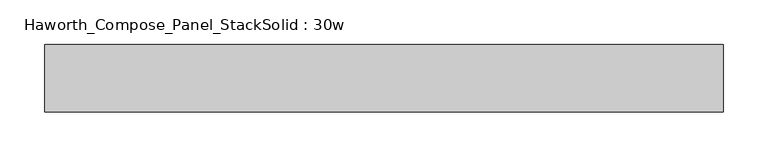
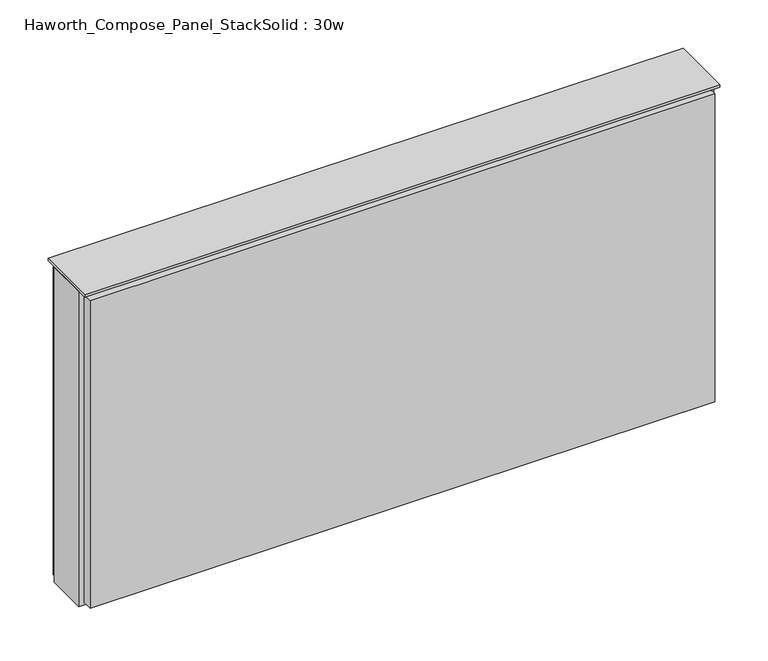
"""IFC4 building model written with IfcOpenShell, lengths in millimetres: furniture geometry, Haworth_Compose_Panel_StackSolid : 30w."""

from ifc_helpers import new_model, si_unit, frame, origin, place, context, project, spatial, polyline, outline, extrude, source, transform, mapped, element, save


def haworth_compose_panel_stacksolid_30w_58d8441a(model_context):
    return source(origin(), model_context, "Body", "SweptSolid", [
        extrude(outline(polyline([(377.0902902, 38.1), (377.0902902, 25.4), (-372.2097098, 25.4), (-372.2097098, 38.1), (377.0902902, 38.1)])), frame((0.0, 0.0, 1066.8), z_axis=(0.0, 0.0, 1.0), x_axis=(1.0, 0.0, 0.0)), (0.0, 0.0, 1.0), 390.525),
        extrude(outline(polyline([(377.0902902, -38.1), (-372.2097098, -38.1), (-372.2097098, -25.4), (377.0902902, -25.4), (377.0902902, -38.1)])), frame((0.0, 0.0, 1069.975), z_axis=(0.0, 0.0, 1.0), x_axis=(1.0, 0.0, 0.0)), (0.0, 0.0, 1.0), 390.525),
        extrude(outline(polyline([(383.4402902, 25.4), (383.4402902, -25.4), (-378.5597098, -25.4), (-378.5597098, 25.4), (383.4402902, 25.4)])), frame((0.0, 0.0, 1066.8), z_axis=(0.0, 0.0, 1.0), x_axis=(1.0, 0.0, 0.0)), (0.0, 0.0, 1.0), 400.05),
        extrude(outline(polyline([(-378.5597098, -38.1), (-378.5597098, 38.1), (383.4402902, 38.1), (383.4402902, -38.1), (-378.5597098, -38.1)])), frame((0.0, 0.0, 1466.85), z_axis=(0.0, 0.0, 1.0), x_axis=(1.0, 0.0, 0.0)), (0.0, 0.0, 1.0), 3.175),
    ])


if __name__ == "__main__":
    model = new_model("IFC4")
    model_context = context("Model", 3, world=origin())
    ifc_project = project(units=[si_unit("LENGTHUNIT", "METRE", prefix="MILLI")], contexts=[model_context])
    site = spatial("IfcSite", under=ifc_project)
    building = spatial("IfcBuilding", under=site)
    placement = place(None, origin())
    haworth_compose_panel_stacksolid_30w_shape = haworth_compose_panel_stacksolid_30w_58d8441a(model_context)
    element("IfcFurniture", 1, ObjectType="Haworth_Compose_Panel_StackSolid : 30w", at=placement, inside=building, context=model_context, shape_type="MappedRepresentation", body=[
        mapped(haworth_compose_panel_stacksolid_30w_shape, transform((0.0, 0.0, 0.0), x_axis=(1.0, 0.0, 0.0), y_axis=(0.0, 1.0, 0.0), z_axis=(0.0, 0.0, 1.0))),
    ])
    save(model, "model.ifc")
